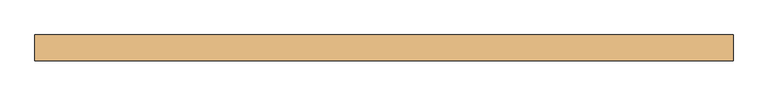
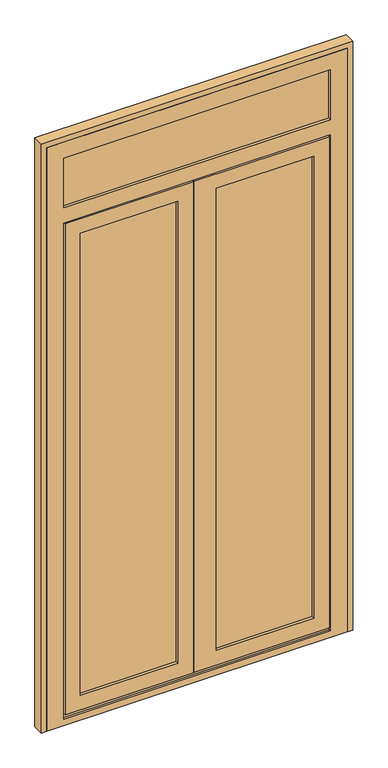
"""IFC4 building model written with IfcOpenShell, lengths in millimetres: door geometry."""

from ifc_helpers import new_model, si_unit, frame, origin, place, context, project, spatial, polyline, outline, extrude, faceted_brep, source, transform, mapped, element, save


def door_1ad6c07b(model_context):
    return source(origin(), model_context, "Body", "SolidModel", [
        extrude(outline(polyline([(69.0, 68.0), (-343.0, 68.0), (-343.0, 91.0), (69.0, 91.0), (69.0, 68.0)])), frame((0.0, 0.0, 83.0), z_axis=(0.0, 0.0, 1.0), x_axis=(1.0, 0.0, 0.0)), (0.0, 0.0, 1.0), 1920.0),
        extrude(outline(polyline([(593.0, 68.0), (181.0, 68.0), (181.0, 91.0), (593.0, 91.0), (593.0, 68.0)])), frame((0.0, 0.0, 83.0), z_axis=(0.0, 0.0, 1.0), x_axis=(1.0, 0.0, 0.0)), (0.0, 0.0, 1.0), 1920.0),
        extrude(outline(polyline([(657.0, 68.0), (-407.0, 68.0), (-407.0, 91.0), (657.0, 91.0), (657.0, 68.0)])), frame((0.0, 0.0, 2093.0), z_axis=(0.0, 0.0, 1.0), x_axis=(1.0, 0.0, 0.0)), (0.0, 0.0, 1.0), 239.0),
        faceted_brep([(-409.0, 92.0, 17.0), (-409.0, 100.0, 17.0), (135.0, 100.0, 17.0), (135.0, 92.0, 17.0), (-389.0, 92.0, 17.0), (-389.0, 64.0, 17.0), (-399.0, 64.0, 17.0), (-399.0, 92.0, 17.0), (659.0, 92.0, 17.0), (649.0, 92.0, 17.0), (649.0, 64.0, 17.0), (639.0, 64.0, 17.0), (639.0, 92.0, 17.0), (140.0, 92.0, 17.0), (140.0, 100.0, 17.0), (659.0, 100.0, 17.0), (-409.0, 92.0, 2069.0), (-409.0, 100.0, 2069.0), (135.0, 100.0, 2069.0), (-325.0, 100.0, 1985.0), (-325.0, 100.0, 101.0), (51.0, 100.0, 101.0), (51.0, 100.0, 1985.0), (659.0, 100.0, 2069.0), (140.0, 100.0, 2069.0), (575.0, 100.0, 101.0), (575.0, 100.0, 1985.0), (199.0, 100.0, 1985.0), (199.0, 100.0, 101.0), (-325.0, 91.0, 1985.0), (-325.0, 91.0, 101.0), (-343.0, 91.0, 2003.0), (-343.0, 91.0, 83.0), (69.0, 91.0, 83.0), (69.0, 91.0, 2003.0), (51.0, 91.0, 1985.0), (51.0, 91.0, 101.0), (593.0, 91.0, 83.0), (593.0, 91.0, 2003.0), (181.0, 91.0, 2003.0), (181.0, 91.0, 83.0), (575.0, 91.0, 1985.0), (575.0, 91.0, 101.0), (199.0, 91.0, 101.0), (199.0, 91.0, 1985.0), (-343.0, 68.0, 2003.0), (-343.0, 68.0, 83.0), (69.0, 68.0, 2003.0), (69.0, 68.0, 83.0), (-325.0, 68.0, 1985.0), (-325.0, 68.0, 101.0), (51.0, 68.0, 101.0), (51.0, 68.0, 1985.0), (593.0, 68.0, 2003.0), (593.0, 68.0, 83.0), (181.0, 68.0, 83.0), (181.0, 68.0, 2003.0), (575.0, 68.0, 101.0), (575.0, 68.0, 1985.0), (199.0, 68.0, 1985.0), (199.0, 68.0, 101.0), (-325.0, 56.0, 1985.0), (-325.0, 56.0, 101.0), (-384.0, 56.0, 2044.0), (-384.0, 56.0, 42.0), (110.0, 56.0, 42.0), (110.0, 56.0, 2044.0), (51.0, 56.0, 1985.0), (51.0, 56.0, 101.0), (634.0, 56.0, 42.0), (634.0, 56.0, 2044.0), (115.0, 56.0, 2044.0), (115.0, 56.0, 42.0), (575.0, 56.0, 1985.0), (575.0, 56.0, 101.0), (199.0, 56.0, 101.0), (199.0, 56.0, 1985.0), (-384.0, 64.0, 2044.0), (-384.0, 64.0, 42.0), (649.0, 64.0, 2059.0), (-399.0, 64.0, 2059.0), (-389.0, 64.0, 27.0), (639.0, 64.0, 27.0), (634.0, 64.0, 2044.0), (634.0, 64.0, 42.0), (115.0, 64.0, 42.0), (115.0, 64.0, 2044.0), (110.0, 64.0, 42.0), (110.0, 64.0, 2044.0), (-399.0, 92.0, 2059.0), (135.0, 92.0, 2059.0), (135.0, 92.0, 2069.0), (649.0, 92.0, 2059.0), (659.0, 92.0, 2069.0), (140.0, 92.0, 2069.0), (140.0, 92.0, 2059.0), (639.0, 92.0, 27.0), (-389.0, 92.0, 27.0), (135.0, 92.0, 27.0), (140.0, 92.0, 27.0)], [[[0, 1, 2, 3, 4, 5, 6, 7]], [[8, 9, 10, 11, 12, 13, 14, 15]], [[1, 0, 16, 17]], [[1, 17, 18, 2], [19, 20, 21, 22]], [[23, 15, 14, 24], [25, 26, 27, 28]], [[19, 29, 30, 20]], [[31, 32, 33, 34], [30, 29, 35, 36]], [[37, 38, 39, 40], [41, 42, 43, 44]], [[31, 45, 46, 32]], [[46, 45, 47, 48], [49, 50, 51, 52]], [[53, 54, 55, 56], [57, 58, 59, 60]], [[49, 61, 62, 50]], [[63, 64, 65, 66], [62, 61, 67, 68]], [[69, 70, 71, 72], [73, 74, 75, 76]], [[63, 77, 78, 64]], [[10, 79, 80, 6, 5, 81, 82, 11], [83, 84, 85, 86], [87, 78, 77, 88]], [[7, 6, 80, 89]], [[0, 7, 89, 90, 91, 16]], [[92, 9, 8, 93, 94, 95]], [[17, 16, 91, 18]], [[93, 23, 24, 94]], [[29, 19, 22, 35]], [[26, 41, 44, 27]], [[45, 31, 34, 47]], [[38, 53, 56, 39]], [[61, 49, 52, 67]], [[58, 73, 76, 59]], [[77, 63, 66, 88]], [[70, 83, 86, 71]], [[89, 80, 79, 92, 95, 90]], [[15, 23, 93, 8]], [[41, 26, 25, 42]], [[53, 38, 37, 54]], [[73, 58, 57, 74]], [[83, 70, 69, 84]], [[79, 10, 9, 92]], [[20, 30, 36, 21]], [[42, 25, 28, 43]], [[32, 46, 48, 33]], [[54, 37, 40, 55]], [[50, 62, 68, 51]], [[74, 57, 60, 75]], [[82, 96, 12, 11]], [[97, 81, 5, 4]], [[96, 82, 81, 97, 98, 99]], [[64, 78, 87, 65]], [[84, 69, 72, 85]], [[71, 86, 85, 72]], [[76, 75, 60, 59]], [[39, 56, 55, 40]], [[44, 43, 28, 27]], [[14, 13, 99, 95, 94, 24]], [[90, 95, 99, 98]], [[3, 2, 18, 91, 90, 98]], [[36, 35, 22, 21]], [[47, 34, 33, 48]], [[68, 67, 52, 51]], [[65, 87, 88, 66]], [[12, 96, 99, 13]], [[97, 4, 3, 98]]]),
        faceted_brep([(-455.0, 100.0, 2380.0), (705.0, 100.0, 2380.0), (705.0, 100.0, 0.0), (-455.0, 100.0, 0.0), (-414.0, 100.0, 2074.0), (-414.0, 100.0, 8.0), (664.0, 100.0, 8.0), (664.0, 100.0, 2074.0), (639.0, 100.0, 2314.0), (-389.0, 100.0, 2314.0), (-389.0, 100.0, 2111.0), (639.0, 100.0, 2111.0), (-389.0, 91.0, 2314.0), (-389.0, 91.0, 2111.0), (657.0, 91.0, 2332.0), (-407.0, 91.0, 2332.0), (-407.0, 91.0, 2093.0), (657.0, 91.0, 2093.0), (639.0, 91.0, 2314.0), (639.0, 91.0, 2111.0), (-407.0, 68.0, 2332.0), (-407.0, 68.0, 2093.0), (657.0, 68.0, 2332.0), (657.0, 68.0, 2093.0), (639.0, 68.0, 2314.0), (-389.0, 68.0, 2314.0), (-389.0, 68.0, 2111.0), (639.0, 68.0, 2111.0), (-389.0, 56.0, 2314.0), (-389.0, 56.0, 2111.0), (705.0, 56.0, 2380.0), (-455.0, 56.0, 2380.0), (-455.0, 56.0, 0.0), (705.0, 56.0, 0.0), (639.0, 56.0, 2314.0), (639.0, 56.0, 2111.0), (639.0, 56.0, 2049.0), (639.0, 56.0, 27.0), (-389.0, 56.0, 27.0), (-389.0, 56.0, 2049.0), (-414.0, 92.0, 8.0), (664.0, 92.0, 8.0), (-414.0, 92.0, 2074.0), (664.0, 92.0, 2074.0), (649.0, 92.0, 27.0), (649.0, 92.0, 2059.0), (-399.0, 92.0, 2059.0), (-399.0, 92.0, 27.0), (-399.0, 64.0, 27.0), (-389.0, 64.0, 27.0), (639.0, 64.0, 27.0), (649.0, 64.0, 27.0), (649.0, 64.0, 2059.0), (-399.0, 64.0, 2059.0), (639.0, 64.0, 2049.0), (-389.0, 64.0, 2049.0)], [[[0, 1, 2, 3], [4, 5, 6, 7], [8, 9, 10, 11]], [[9, 12, 13, 10]], [[14, 15, 16, 17], [12, 18, 19, 13]], [[15, 20, 21, 16]], [[20, 22, 23, 21], [24, 25, 26, 27]], [[25, 28, 29, 26]], [[30, 31, 32, 33], [29, 28, 34, 35], [36, 37, 38, 39]], [[32, 31, 0, 3]], [[9, 8, 18, 12]], [[15, 14, 22, 20]], [[25, 24, 34, 28]], [[1, 0, 31, 30]], [[18, 8, 11, 19]], [[22, 14, 17, 23]], [[34, 24, 27, 35]], [[2, 1, 30, 33]], [[6, 5, 40, 41]], [[40, 42, 43, 41], [44, 45, 46, 47]], [[44, 47, 48, 49, 38, 37, 50, 51]], [[3, 2, 33, 32]], [[13, 19, 11, 10]], [[4, 7, 43, 42]], [[46, 45, 52, 53]], [[51, 50, 54, 55, 49, 48, 53, 52]], [[36, 39, 55, 54]], [[29, 35, 27, 26]], [[16, 21, 23, 17]], [[39, 38, 49, 55]], [[47, 46, 53, 48]], [[5, 4, 42, 40]], [[7, 6, 41, 43]], [[45, 44, 51, 52]], [[37, 36, 54, 50]]]),
        extrude(outline(polyline([(2400.0, -475.0), (0.0, -475.0), (0.0, -455.0), (2380.0, -455.0), (2380.0, 705.0), (0.0, 705.0), (0.0, 725.0), (2400.0, 725.0), (2400.0, -475.0)])), frame((0.0, 56.0, 0.0), z_axis=(0.0, 1.0, 0.0), x_axis=(0.0, 0.0, 1.0)), (0.0, 0.0, 1.0), 44.0),
    ])


if __name__ == "__main__":
    model = new_model("IFC4")
    model_context = context("Model", 3, world=origin())
    ifc_project = project(units=[si_unit("LENGTHUNIT", "METRE", prefix="MILLI")], contexts=[model_context])
    site = spatial("IfcSite", under=ifc_project)
    building = spatial("IfcBuilding", under=site)
    placement = place(None, origin())
    door_shape = door_1ad6c07b(model_context)
    element("IfcDoor", 1, at=placement, inside=building, context=model_context, shape_type="MappedRepresentation", body=[
        mapped(door_shape, transform((0.0, 0.0, 0.0), x_axis=(1.0, 0.0, 0.0), y_axis=(0.0, 1.0, 0.0), z_axis=(0.0, 0.0, 1.0))),
    ])
    save(model, "model.ifc")
